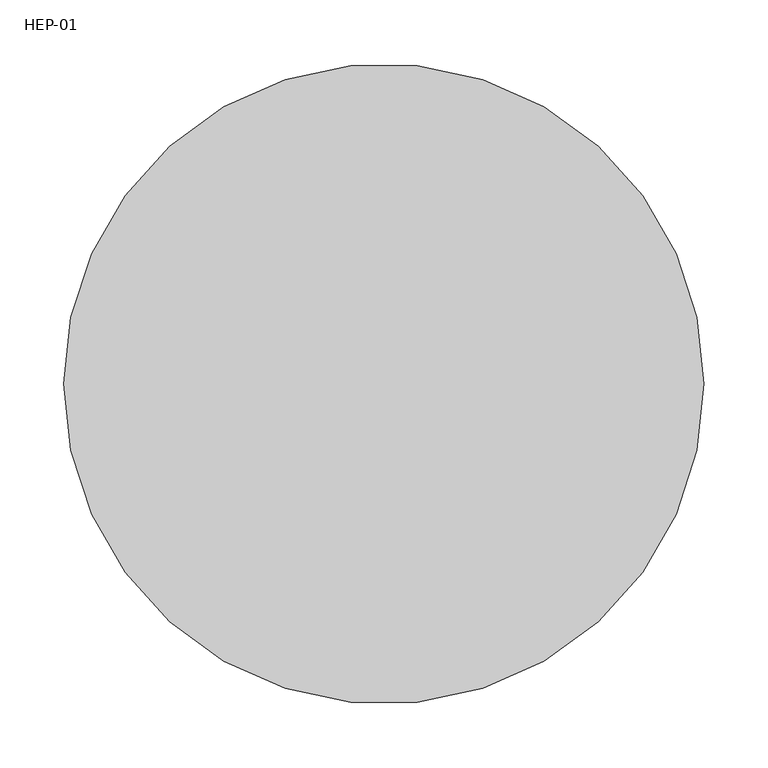
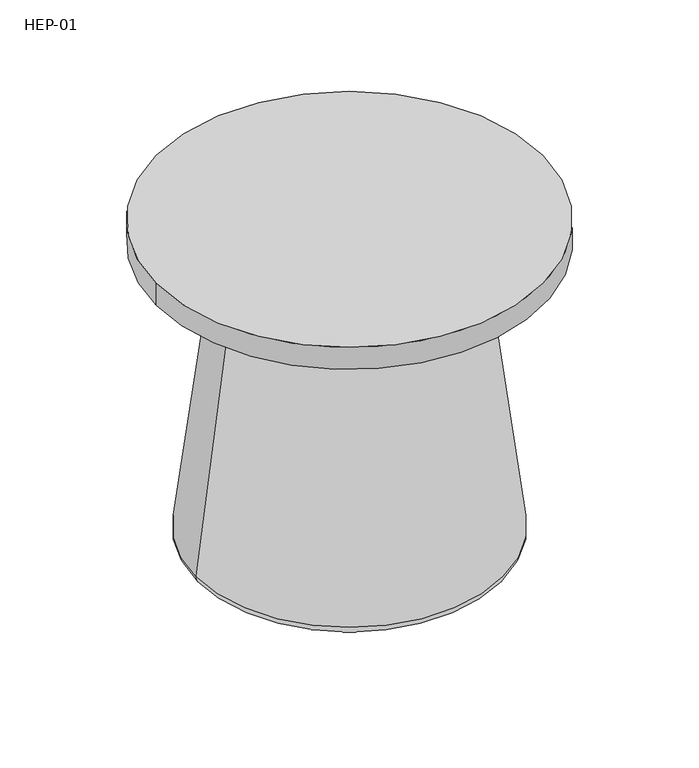
"""IFC4 building model written with IfcOpenShell, lengths in millimetres: furniture geometry, HEP-01."""

from ifc_helpers import new_model, si_unit, point, frame, origin, origin_with_axes, origin_2d, place, context, project, spatial, polyline, circle_curve, ellipse_curve, trimmed, segment, composite_curve, outline, extrude, source, transform, mapped, element, save
from ifc_brep_helpers import plane_surface, revolved_surface, advanced_brep


def hep_01_516dfd4c(model_context):
    return source(origin(), model_context, "Body", "SolidModel", [
        extrude(outline(composite_curve([segment(trimmed(circle_curve(origin_2d(), 150.0), [point((-150.0, 0.0))], [point((150.0, 0.0))], False, "CARTESIAN"), True, "CONTINUOUS"), segment(trimmed(circle_curve(origin_2d(), 150.0), [point((150.0, 0.0))], [point((-150.0, 0.0))], False, "CARTESIAN"), True, "CONTINUOUS")], self_intersect=False)), origin_with_axes(), (0.0, 0.0, 1.0), 19.9999989),
        extrude(outline(composite_curve([segment(trimmed(circle_curve(origin_2d(), 100.0), [point((-100.0, 0.0))], [point((100.0, 0.0))], False, "CARTESIAN"), True, "CONTINUOUS"), segment(trimmed(circle_curve(origin_2d(), 100.0), [point((100.0, 0.0))], [point((-100.0, 0.0))], False, "CARTESIAN"), True, "CONTINUOUS")], self_intersect=False)), frame((0.0, 0.0, 414.0000356), z_axis=(0.0, 0.0, 1.0), x_axis=(1.0, 0.0, 0.0)), (0.0, 0.0, 1.0), 5.9999644),
        extrude(outline(composite_curve([segment(trimmed(circle_curve(origin_2d(), 250.0), [point((-250.0, 0.0))], [point((250.0, 0.0))], False, "CARTESIAN"), True, "CONTINUOUS"), segment(trimmed(circle_curve(origin_2d(), 250.0), [point((250.0, 0.0))], [point((-250.0, 0.0))], False, "CARTESIAN"), True, "CONTINUOUS")], self_intersect=False)), frame((0.0, 0.0, 420.0), z_axis=(0.0, 0.0, 1.0), x_axis=(1.0, 0.0, 0.0)), (0.0, 0.0, 1.0), 29.9901531),
        advanced_brep(
        [(141.1970525, 0.0, 414.0000356), (-141.1970525, 0.0, 414.0000356), (0.0, 0.0, 414.0000356), (198.5712344, 0.0, 31.2587232), (-198.5712344, 0.0, 31.2587232), (-151.1175169, 0.0, 405.2587599), (151.1175169, 0.0, 405.2587599), (0.0, 0.0, 19.9999989), (-188.65077, 0.0, 19.9999989), (188.65077, 0.0, 19.9999989)],
        [
            (0, 1, circle_curve(frame((0.0, 0.0, 414.0000356), z_axis=(0.0, 0.0, 1.0), x_axis=(-1.0, 0.0, 0.0)), 141.1970525)),
            (1, 2),
            (2, 0),
            (1, 0, circle_curve(frame((0.0, 0.0, 414.0000356), z_axis=(0.0, 0.0, 1.0), x_axis=(-1.0, 0.0, 0.0)), 141.1970525)),
            (3, 4, circle_curve(frame((0.0, 0.0, 31.2587232), z_axis=(0.0, 0.0, 1.0), x_axis=(-1.0, 0.0, 0.0)), 198.5712344)),
            (4, 5),
            (5, 6, circle_curve(frame((0.0, 0.0, 405.2587599), z_axis=(0.0, 0.0, -1.0), x_axis=(-1.0, 0.0, 0.0)), 151.1175169)),
            (6, 3),
            (4, 3, circle_curve(frame((0.0, 0.0, 31.2587232), z_axis=(0.0, 0.0, 1.0), x_axis=(-1.0, 0.0, 0.0)), 198.5712344)),
            (6, 5, circle_curve(frame((0.0, 0.0, 405.2587599), z_axis=(0.0, 0.0, -1.0), x_axis=(-1.0, 0.0, 0.0)), 151.1175169)),
            (7, 8),
            (8, 9, circle_curve(frame((0.0, 0.0, 19.9999989), z_axis=(0.0, 0.0, -1.0), x_axis=(-1.0, 0.0, 0.0)), 188.65077)),
            (9, 7),
            (9, 8, circle_curve(frame((0.0, 0.0, 19.9999989), z_axis=(0.0, 0.0, -1.0), x_axis=(-1.0, 0.0, 0.0)), 188.65077)),
            (8, 4, circle_curve(frame((-188.65077, 0.0, 29.9999989), z_axis=(0.0, 1.0, 0.0), x_axis=(1.0, 0.0, 0.0)), 10.0)),
            (3, 9, circle_curve(frame((188.65077, 0.0, 29.9999989), z_axis=(0.0, 1.0, 0.0), x_axis=(-1.0, 0.0, 0.0)), 10.0)),
            (5, 1, circle_curve(frame((-141.1970525, 0.0, 404.0000356), z_axis=(0.0, 1.0, 0.0), x_axis=(1.0, 0.0, 0.0)), 10.0)),
            (0, 6, circle_curve(frame((141.1970525, 0.0, 404.0000356), z_axis=(0.0, 1.0, 0.0), x_axis=(-1.0, 0.0, 0.0)), 10.0)),
        ],
        [
            plane_surface(frame((0.0, 0.0, 414.0000356), z_axis=(0.0, 0.0, 1.0), x_axis=(-1.0, 0.0, 0.0))),
            revolved_surface(polyline([(-151.1175169, 0.0, 405.2587599), (-198.5712344, 0.0, 31.2587232)]), (0.0, 0.0, 574.4957587), (0.0, 0.0, -1.0)),
            plane_surface(frame((0.0, 0.0, 19.9999989), z_axis=(0.0, 0.0, -1.0), x_axis=(-1.0, 0.0, 0.0))),
            revolved_surface(trimmed(ellipse_curve(frame((-188.65077, 0.0, 29.9999989), z_axis=(0.0, -1.0, 0.0), x_axis=(1.0, 0.0, 0.0)), 10.0, 10.0), [point((-198.5712344, 0.0, 31.2587232))], [point((-188.65077, 0.0, 19.9999989))], True, "CARTESIAN"), (0.0, 0.0, 574.4957587), (0.0, 0.0, -1.0)),
            revolved_surface(trimmed(ellipse_curve(frame((-141.1970525, 0.0, 404.0000356), z_axis=(0.0, -1.0, 0.0), x_axis=(1.0, 0.0, 0.0)), 10.0, 10.0), [point((-141.1970525, 0.0, 414.0000356))], [point((-151.1175169, 0.0, 405.2587599))], True, "CARTESIAN"), (0.0, 0.0, 574.4957587), (0.0, 0.0, -1.0)),
        ],
        [
            (0, [[1, 2, 3]]),
            (0, [[4, -3, -2]]),
            (1, [[5, 6, 7, 8]]),
            (1, [[9, -8, 10, -6]]),
            (2, [[11, 12, 13]]),
            (2, [[-13, 14, -11]]),
            (3, [[-12, 15, -5, 16]]),
            (3, [[-14, -16, -9, -15]]),
            (4, [[-7, 17, -1, 18]]),
            (4, [[-10, -18, -4, -17]]),
        ],
    ),
    ])


if __name__ == "__main__":
    model = new_model("IFC4")
    model_context = context("Model", 3, world=origin())
    ifc_project = project(units=[si_unit("LENGTHUNIT", "METRE", prefix="MILLI")], contexts=[model_context])
    site = spatial("IfcSite", under=ifc_project)
    building = spatial("IfcBuilding", under=site)
    placement = place(None, origin())
    hep_01_shape = hep_01_516dfd4c(model_context)
    element("IfcFurniture", 1, ObjectType="HEP-01", at=placement, inside=building, context=model_context, shape_type="MappedRepresentation", body=[
        mapped(hep_01_shape, transform((0.0, 0.0, 0.0), x_axis=(1.0, 0.0, 0.0), y_axis=(0.0, 1.0, 0.0), z_axis=(0.0, 0.0, 1.0))),
    ])
    save(model, "model.ifc")
